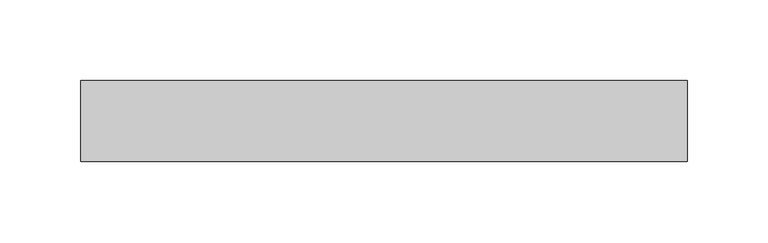
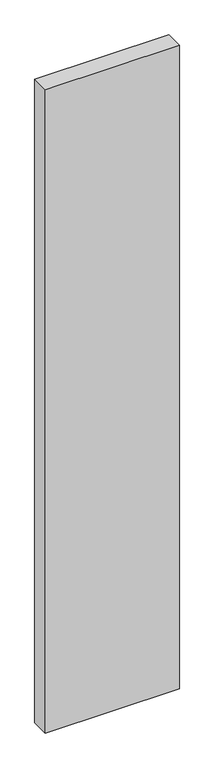
"""IFC4 building model written with IfcOpenShell, lengths in millimetres: plate geometry."""

from ifc_helpers import new_model, si_unit, origin, origin_with_axes, place, context, project, spatial, polyline, outline, extrude, source, transform, mapped, element, save


def plate_3708f6d8(model_context):
    return source(origin(), model_context, "Body", "SweptSolid", [
        extrude(outline(polyline([(187.5, -25.0), (-187.5, -25.0), (-187.5, 25.0), (187.5, 25.0), (187.5, -25.0)])), origin_with_axes(), (0.0, 0.0, 1.0), 1900.0),
    ])


if __name__ == "__main__":
    model = new_model("IFC4")
    model_context = context("Model", 3, world=origin())
    ifc_project = project(units=[si_unit("LENGTHUNIT", "METRE", prefix="MILLI")], contexts=[model_context])
    site = spatial("IfcSite", under=ifc_project)
    building = spatial("IfcBuilding", under=site)
    placement = place(None, origin())
    plate_shape = plate_3708f6d8(model_context)
    element("IfcPlate", 1, at=placement, inside=building, context=model_context, shape_type="MappedRepresentation", body=[
        mapped(plate_shape, transform((0.0, 0.0, 0.0), x_axis=(1.0, 0.0, 0.0), y_axis=(0.0, 1.0, 0.0), z_axis=(0.0, 0.0, 1.0))),
    ])
    save(model, "model.ifc")
